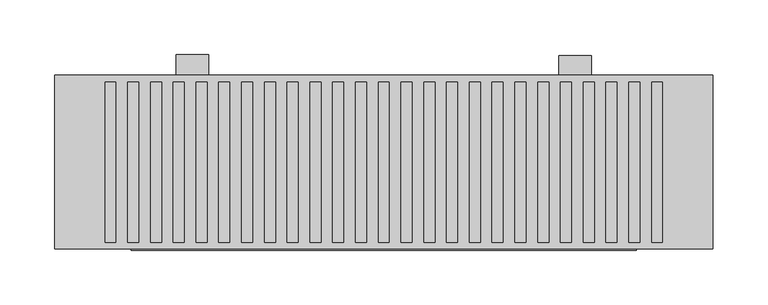
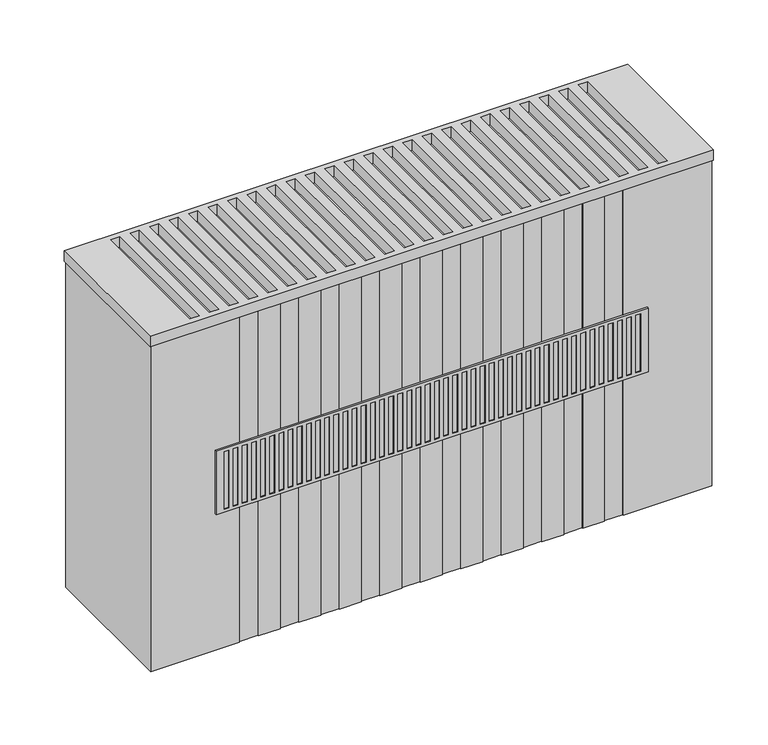
"""IFC4 building model written with IfcOpenShell, lengths in millimetres: proxy geometry."""

from ifc_helpers import new_model, si_unit, point, frame, frame_2d, origin, place, context, project, spatial, polyline, circle_curve, trimmed, segment, composite_curve, outline, extrude, faceted_brep, source, transform, mapped, element, save


def mechanical_equipment_fb03410e(model_context):
    return source(origin(), model_context, "Body", "SolidModel", [
        extrude(outline(polyline([(0.0, 380.0), (0.0, 100.0), (0.0, 80.0), (-51.0, 80.0), (-66.0, 100.0), (-20.0, 100.0), (-20.0, 380.0), (0.0, 380.0)])), frame((260.0, 0.0, 0.0), z_axis=(1.0, 0.0, 0.0), x_axis=(0.0, 1.0, 0.0)), (0.0, 0.0, 1.0), 30.0),
        extrude(outline(polyline([(1.0, 380.0), (1.0, 100.0), (1.0, 80.0), (-50.0, 80.0), (-65.0, 100.0), (-19.0, 100.0), (-19.0, 380.0), (1.0, 380.0)])), frame((-90.0, 0.0, 0.0), z_axis=(1.0, 0.0, 0.0), x_axis=(0.0, 1.0, 0.0)), (0.0, 0.0, 1.0), 30.0),
        faceted_brep([(331.0, -178.0, 326.0), (331.0, -178.0, 254.0), (331.0, -176.0, 254.0), (331.0, -176.0, 326.0), (-131.0, -178.0, 254.0), (-131.0, -178.0, 326.0), (-131.0, -176.0, 326.0), (-131.0, -176.0, 254.0), (322.5, -178.0, 257.5), (317.5, -178.0, 257.5), (317.5, -178.0, 322.5), (322.5, -178.0, 322.5), (-107.7222222, -178.0, 257.5), (-112.7222222, -178.0, 257.5), (-112.7222222, -178.0, 322.5), (-107.7222222, -178.0, 322.5), (-97.9444444, -178.0, 257.5), (-102.9444444, -178.0, 257.5), (-102.9444444, -178.0, 322.5), (-97.9444444, -178.0, 322.5), (-88.1666667, -178.0, 257.5), (-93.1666667, -178.0, 257.5), (-93.1666667, -178.0, 322.5), (-88.1666667, -178.0, 322.5), (-78.3888889, -178.0, 257.5), (-83.3888889, -178.0, 257.5), (-83.3888889, -178.0, 322.5), (-78.3888889, -178.0, 322.5), (-68.6111111, -178.0, 257.5), (-73.6111111, -178.0, 257.5), (-73.6111111, -178.0, 322.5), (-68.6111111, -178.0, 322.5), (-58.8333333, -178.0, 257.5), (-63.8333333, -178.0, 257.5), (-63.8333333, -178.0, 322.5), (-58.8333333, -178.0, 322.5), (-49.0555556, -178.0, 257.5), (-54.0555556, -178.0, 257.5), (-54.0555556, -178.0, 322.5), (-49.0555556, -178.0, 322.5), (-39.2777778, -178.0, 257.5), (-44.2777778, -178.0, 257.5), (-44.2777778, -178.0, 322.5), (-39.2777778, -178.0, 322.5), (-29.5, -178.0, 257.5), (-34.5, -178.0, 257.5), (-34.5, -178.0, 322.5), (-29.5, -178.0, 322.5), (-19.7222222, -178.0, 257.5), (-24.7222222, -178.0, 257.5), (-24.7222222, -178.0, 322.5), (-19.7222222, -178.0, 322.5), (-9.9444444, -178.0, 257.5), (-14.9444444, -178.0, 257.5), (-14.9444444, -178.0, 322.5), (-9.9444444, -178.0, 322.5), (-0.1666667, -178.0, 257.5), (-5.1666667, -178.0, 257.5), (-5.1666667, -178.0, 322.5), (-0.1666667, -178.0, 322.5), (9.6111111, -178.0, 257.5), (4.6111111, -178.0, 257.5), (4.6111111, -178.0, 322.5), (9.6111111, -178.0, 322.5), (19.3888889, -178.0, 257.5), (14.3888889, -178.0, 257.5), (14.3888889, -178.0, 322.5), (19.3888889, -178.0, 322.5), (29.1666667, -178.0, 257.5), (24.1666667, -178.0, 257.5), (24.1666667, -178.0, 322.5), (29.1666667, -178.0, 322.5), (38.9444444, -178.0, 257.5), (33.9444444, -178.0, 257.5), (33.9444444, -178.0, 322.5), (38.9444444, -178.0, 322.5), (48.7222222, -178.0, 257.5), (43.7222222, -178.0, 257.5), (43.7222222, -178.0, 322.5), (48.7222222, -178.0, 322.5), (58.5, -178.0, 257.5), (53.5, -178.0, 257.5), (53.5, -178.0, 322.5), (58.5, -178.0, 322.5), (68.2777778, -178.0, 257.5), (63.2777778, -178.0, 257.5), (63.2777778, -178.0, 322.5), (68.2777778, -178.0, 322.5), (78.0555556, -178.0, 257.5), (73.0555556, -178.0, 257.5), (73.0555556, -178.0, 322.5), (78.0555556, -178.0, 322.5), (87.8333333, -178.0, 257.5), (82.8333333, -178.0, 257.5), (82.8333333, -178.0, 322.5), (87.8333333, -178.0, 322.5), (97.6111111, -178.0, 257.5), (92.6111111, -178.0, 257.5), (92.6111111, -178.0, 322.5), (97.6111111, -178.0, 322.5), (107.3888889, -178.0, 257.5), (102.3888889, -178.0, 257.5), (102.3888889, -178.0, 322.5), (107.3888889, -178.0, 322.5), (117.1666667, -178.0, 257.5), (112.1666667, -178.0, 257.5), (112.1666667, -178.0, 322.5), (117.1666667, -178.0, 322.5), (126.9444444, -178.0, 257.5), (121.9444444, -178.0, 257.5), (121.9444444, -178.0, 322.5), (126.9444444, -178.0, 322.5), (136.7222222, -178.0, 257.5), (131.7222222, -178.0, 257.5), (131.7222222, -178.0, 322.5), (136.7222222, -178.0, 322.5), (146.5, -178.0, 257.5), (141.5, -178.0, 257.5), (141.5, -178.0, 322.5), (146.5, -178.0, 322.5), (156.2777778, -178.0, 257.5), (151.2777778, -178.0, 257.5), (151.2777778, -178.0, 322.5), (156.2777778, -178.0, 322.5), (166.0555556, -178.0, 257.5), (161.0555556, -178.0, 257.5), (161.0555556, -178.0, 322.5), (166.0555556, -178.0, 322.5), (175.8333333, -178.0, 257.5), (170.8333333, -178.0, 257.5), (170.8333333, -178.0, 322.5), (175.8333333, -178.0, 322.5), (185.6111111, -178.0, 257.5), (180.6111111, -178.0, 257.5), (180.6111111, -178.0, 322.5), (185.6111111, -178.0, 322.5), (195.3888889, -178.0, 257.5), (190.3888889, -178.0, 257.5), (190.3888889, -178.0, 322.5), (195.3888889, -178.0, 322.5), (205.1666667, -178.0, 257.5), (200.1666667, -178.0, 257.5), (200.1666667, -178.0, 322.5), (205.1666667, -178.0, 322.5), (214.9444444, -178.0, 257.5), (209.9444444, -178.0, 257.5), (209.9444444, -178.0, 322.5), (214.9444444, -178.0, 322.5), (224.7222222, -178.0, 257.5), (219.7222222, -178.0, 257.5), (219.7222222, -178.0, 322.5), (224.7222222, -178.0, 322.5), (234.5, -178.0, 257.5), (229.5, -178.0, 257.5), (229.5, -178.0, 322.5), (234.5, -178.0, 322.5), (244.2777778, -178.0, 257.5), (239.2777778, -178.0, 257.5), (239.2777778, -178.0, 322.5), (244.2777778, -178.0, 322.5), (254.0555556, -178.0, 257.5), (249.0555556, -178.0, 257.5), (249.0555556, -178.0, 322.5), (254.0555556, -178.0, 322.5), (263.8333333, -178.0, 257.5), (258.8333333, -178.0, 257.5), (258.8333333, -178.0, 322.5), (263.8333333, -178.0, 322.5), (273.6111111, -178.0, 257.5), (268.6111111, -178.0, 257.5), (268.6111111, -178.0, 322.5), (273.6111111, -178.0, 322.5), (283.3888889, -178.0, 257.5), (278.3888889, -178.0, 257.5), (278.3888889, -178.0, 322.5), (283.3888889, -178.0, 322.5), (293.1666667, -178.0, 257.5), (288.1666667, -178.0, 257.5), (288.1666667, -178.0, 322.5), (293.1666667, -178.0, 322.5), (302.9444444, -178.0, 257.5), (297.9444444, -178.0, 257.5), (297.9444444, -178.0, 322.5), (302.9444444, -178.0, 322.5), (312.7222222, -178.0, 257.5), (307.7222222, -178.0, 257.5), (307.7222222, -178.0, 322.5), (312.7222222, -178.0, 322.5), (-117.5, -178.0, 257.5), (-122.5, -178.0, 257.5), (-122.5, -178.0, 322.5), (-117.5, -178.0, 322.5), (317.5, -177.0, 257.5), (322.5, -177.0, 257.5), (322.5, -177.0, 322.5), (317.5, -177.0, 322.5), (-112.7222222, -177.0, 257.5), (-107.7222222, -177.0, 257.5), (-107.7222222, -177.0, 322.5), (-112.7222222, -177.0, 322.5), (-102.9444444, -177.0, 257.5), (-97.9444444, -177.0, 257.5), (-97.9444444, -177.0, 322.5), (-102.9444444, -177.0, 322.5), (-93.1666667, -177.0, 257.5), (-88.1666667, -177.0, 257.5), (-88.1666667, -177.0, 322.5), (-93.1666667, -177.0, 322.5), (-83.3888889, -177.0, 257.5), (-78.3888889, -177.0, 257.5), (-78.3888889, -177.0, 322.5), (-83.3888889, -177.0, 322.5), (-73.6111111, -177.0, 257.5), (-68.6111111, -177.0, 257.5), (-68.6111111, -177.0, 322.5), (-73.6111111, -177.0, 322.5), (-63.8333333, -177.0, 257.5), (-58.8333333, -177.0, 257.5), (-58.8333333, -177.0, 322.5), (-63.8333333, -177.0, 322.5), (-54.0555556, -177.0, 257.5), (-49.0555556, -177.0, 257.5), (-49.0555556, -177.0, 322.5), (-54.0555556, -177.0, 322.5), (-44.2777778, -177.0, 257.5), (-39.2777778, -177.0, 257.5), (-39.2777778, -177.0, 322.5), (-44.2777778, -177.0, 322.5), (-34.5, -177.0, 257.5), (-29.5, -177.0, 257.5), (-29.5, -177.0, 322.5), (-34.5, -177.0, 322.5), (-24.7222222, -177.0, 257.5), (-19.7222222, -177.0, 257.5), (-19.7222222, -177.0, 322.5), (-24.7222222, -177.0, 322.5), (-14.9444444, -177.0, 257.5), (-9.9444444, -177.0, 257.5), (-9.9444444, -177.0, 322.5), (-14.9444444, -177.0, 322.5), (-5.1666667, -177.0, 257.5), (-0.1666667, -177.0, 257.5), (-0.1666667, -177.0, 322.5), (-5.1666667, -177.0, 322.5), (4.6111111, -177.0, 257.5), (9.6111111, -177.0, 257.5), (9.6111111, -177.0, 322.5), (4.6111111, -177.0, 322.5), (14.3888889, -177.0, 257.5), (19.3888889, -177.0, 257.5), (19.3888889, -177.0, 322.5), (14.3888889, -177.0, 322.5), (24.1666667, -177.0, 257.5), (29.1666667, -177.0, 257.5), (29.1666667, -177.0, 322.5), (24.1666667, -177.0, 322.5), (33.9444444, -177.0, 257.5), (38.9444444, -177.0, 257.5), (38.9444444, -177.0, 322.5), (33.9444444, -177.0, 322.5), (43.7222222, -177.0, 257.5), (48.7222222, -177.0, 257.5), (48.7222222, -177.0, 322.5), (43.7222222, -177.0, 322.5), (53.5, -177.0, 257.5), (58.5, -177.0, 257.5), (58.5, -177.0, 322.5), (53.5, -177.0, 322.5), (63.2777778, -177.0, 257.5), (68.2777778, -177.0, 257.5), (68.2777778, -177.0, 322.5), (63.2777778, -177.0, 322.5), (73.0555556, -177.0, 257.5), (78.0555556, -177.0, 257.5), (78.0555556, -177.0, 322.5), (73.0555556, -177.0, 322.5), (82.8333333, -177.0, 257.5), (87.8333333, -177.0, 257.5), (87.8333333, -177.0, 322.5), (82.8333333, -177.0, 322.5), (92.6111111, -177.0, 257.5), (97.6111111, -177.0, 257.5), (97.6111111, -177.0, 322.5), (92.6111111, -177.0, 322.5), (102.3888889, -177.0, 257.5), (107.3888889, -177.0, 257.5), (107.3888889, -177.0, 322.5), (102.3888889, -177.0, 322.5), (112.1666667, -177.0, 257.5), (117.1666667, -177.0, 257.5), (117.1666667, -177.0, 322.5), (112.1666667, -177.0, 322.5), (121.9444444, -177.0, 257.5), (126.9444444, -177.0, 257.5), (126.9444444, -177.0, 322.5), (121.9444444, -177.0, 322.5), (131.7222222, -177.0, 257.5), (136.7222222, -177.0, 257.5), (136.7222222, -177.0, 322.5), (131.7222222, -177.0, 322.5), (141.5, -177.0, 257.5), (146.5, -177.0, 257.5), (146.5, -177.0, 322.5), (141.5, -177.0, 322.5), (151.2777778, -177.0, 257.5), (156.2777778, -177.0, 257.5), (156.2777778, -177.0, 322.5), (151.2777778, -177.0, 322.5), (161.0555556, -177.0, 257.5), (166.0555556, -177.0, 257.5), (166.0555556, -177.0, 322.5), (161.0555556, -177.0, 322.5), (170.8333333, -177.0, 257.5), (175.8333333, -177.0, 257.5), (175.8333333, -177.0, 322.5), (170.8333333, -177.0, 322.5), (180.6111111, -177.0, 257.5), (185.6111111, -177.0, 257.5), (185.6111111, -177.0, 322.5), (180.6111111, -177.0, 322.5), (190.3888889, -177.0, 257.5), (195.3888889, -177.0, 257.5), (195.3888889, -177.0, 322.5), (190.3888889, -177.0, 322.5), (200.1666667, -177.0, 257.5), (205.1666667, -177.0, 257.5), (205.1666667, -177.0, 322.5), (200.1666667, -177.0, 322.5), (209.9444444, -177.0, 257.5), (214.9444444, -177.0, 257.5), (214.9444444, -177.0, 322.5), (209.9444444, -177.0, 322.5), (219.7222222, -177.0, 257.5), (224.7222222, -177.0, 257.5), (224.7222222, -177.0, 322.5), (219.7222222, -177.0, 322.5), (229.5, -177.0, 257.5), (234.5, -177.0, 257.5), (234.5, -177.0, 322.5), (229.5, -177.0, 322.5), (239.2777778, -177.0, 257.5), (244.2777778, -177.0, 257.5), (244.2777778, -177.0, 322.5), (239.2777778, -177.0, 322.5), (249.0555556, -177.0, 257.5), (254.0555556, -177.0, 257.5), (254.0555556, -177.0, 322.5), (249.0555556, -177.0, 322.5), (258.8333333, -177.0, 257.5), (263.8333333, -177.0, 257.5), (263.8333333, -177.0, 322.5), (258.8333333, -177.0, 322.5), (268.6111111, -177.0, 257.5), (273.6111111, -177.0, 257.5), (273.6111111, -177.0, 322.5), (268.6111111, -177.0, 322.5), (278.3888889, -177.0, 257.5), (283.3888889, -177.0, 257.5), (283.3888889, -177.0, 322.5), (278.3888889, -177.0, 322.5), (288.1666667, -177.0, 257.5), (293.1666667, -177.0, 257.5), (293.1666667, -177.0, 322.5), (288.1666667, -177.0, 322.5), (297.9444444, -177.0, 257.5), (302.9444444, -177.0, 257.5), (302.9444444, -177.0, 322.5), (297.9444444, -177.0, 322.5), (307.7222222, -177.0, 257.5), (312.7222222, -177.0, 257.5), (312.7222222, -177.0, 322.5), (307.7222222, -177.0, 322.5), (-122.5, -177.0, 257.5), (-117.5, -177.0, 257.5), (-117.5, -177.0, 322.5), (-122.5, -177.0, 322.5)], [[[0, 1, 2, 3]], [[4, 5, 6, 7]], [[1, 0, 5, 4], [8, 9, 10, 11], [12, 13, 14, 15], [16, 17, 18, 19], [20, 21, 22, 23], [24, 25, 26, 27], [28, 29, 30, 31], [32, 33, 34, 35], [36, 37, 38, 39], [40, 41, 42, 43], [44, 45, 46, 47], [48, 49, 50, 51], [52, 53, 54, 55], [56, 57, 58, 59], [60, 61, 62, 63], [64, 65, 66, 67], [68, 69, 70, 71], [72, 73, 74, 75], [76, 77, 78, 79], [80, 81, 82, 83], [84, 85, 86, 87], [88, 89, 90, 91], [92, 93, 94, 95], [96, 97, 98, 99], [100, 101, 102, 103], [104, 105, 106, 107], [108, 109, 110, 111], [112, 113, 114, 115], [116, 117, 118, 119], [120, 121, 122, 123], [124, 125, 126, 127], [128, 129, 130, 131], [132, 133, 134, 135], [136, 137, 138, 139], [140, 141, 142, 143], [144, 145, 146, 147], [148, 149, 150, 151], [152, 153, 154, 155], [156, 157, 158, 159], [160, 161, 162, 163], [164, 165, 166, 167], [168, 169, 170, 171], [172, 173, 174, 175], [176, 177, 178, 179], [180, 181, 182, 183], [184, 185, 186, 187], [188, 189, 190, 191]], [[3, 2, 7, 6]], [[2, 1, 4, 7]], [[0, 3, 6, 5]], [[192, 193, 194, 195]], [[193, 192, 9, 8]], [[194, 193, 8, 11]], [[195, 194, 11, 10]], [[192, 195, 10, 9]], [[196, 197, 198, 199]], [[197, 196, 13, 12]], [[198, 197, 12, 15]], [[199, 198, 15, 14]], [[196, 199, 14, 13]], [[200, 201, 202, 203]], [[201, 200, 17, 16]], [[202, 201, 16, 19]], [[203, 202, 19, 18]], [[200, 203, 18, 17]], [[204, 205, 206, 207]], [[205, 204, 21, 20]], [[206, 205, 20, 23]], [[207, 206, 23, 22]], [[204, 207, 22, 21]], [[208, 209, 210, 211]], [[209, 208, 25, 24]], [[210, 209, 24, 27]], [[211, 210, 27, 26]], [[208, 211, 26, 25]], [[212, 213, 214, 215]], [[213, 212, 29, 28]], [[214, 213, 28, 31]], [[215, 214, 31, 30]], [[212, 215, 30, 29]], [[216, 217, 218, 219]], [[217, 216, 33, 32]], [[218, 217, 32, 35]], [[219, 218, 35, 34]], [[216, 219, 34, 33]], [[220, 221, 222, 223]], [[221, 220, 37, 36]], [[222, 221, 36, 39]], [[223, 222, 39, 38]], [[220, 223, 38, 37]], [[224, 225, 226, 227]], [[225, 224, 41, 40]], [[226, 225, 40, 43]], [[227, 226, 43, 42]], [[224, 227, 42, 41]], [[228, 229, 230, 231]], [[229, 228, 45, 44]], [[230, 229, 44, 47]], [[231, 230, 47, 46]], [[228, 231, 46, 45]], [[232, 233, 234, 235]], [[233, 232, 49, 48]], [[234, 233, 48, 51]], [[235, 234, 51, 50]], [[232, 235, 50, 49]], [[236, 237, 238, 239]], [[237, 236, 53, 52]], [[238, 237, 52, 55]], [[239, 238, 55, 54]], [[236, 239, 54, 53]], [[240, 241, 242, 243]], [[241, 240, 57, 56]], [[242, 241, 56, 59]], [[243, 242, 59, 58]], [[240, 243, 58, 57]], [[244, 245, 246, 247]], [[245, 244, 61, 60]], [[246, 245, 60, 63]], [[247, 246, 63, 62]], [[244, 247, 62, 61]], [[248, 249, 250, 251]], [[249, 248, 65, 64]], [[250, 249, 64, 67]], [[251, 250, 67, 66]], [[248, 251, 66, 65]], [[252, 253, 254, 255]], [[253, 252, 69, 68]], [[254, 253, 68, 71]], [[255, 254, 71, 70]], [[252, 255, 70, 69]], [[256, 257, 258, 259]], [[257, 256, 73, 72]], [[258, 257, 72, 75]], [[259, 258, 75, 74]], [[256, 259, 74, 73]], [[260, 261, 262, 263]], [[261, 260, 77, 76]], [[262, 261, 76, 79]], [[263, 262, 79, 78]], [[260, 263, 78, 77]], [[264, 265, 266, 267]], [[265, 264, 81, 80]], [[266, 265, 80, 83]], [[267, 266, 83, 82]], [[264, 267, 82, 81]], [[268, 269, 270, 271]], [[269, 268, 85, 84]], [[270, 269, 84, 87]], [[271, 270, 87, 86]], [[268, 271, 86, 85]], [[272, 273, 274, 275]], [[273, 272, 89, 88]], [[274, 273, 88, 91]], [[275, 274, 91, 90]], [[272, 275, 90, 89]], [[276, 277, 278, 279]], [[277, 276, 93, 92]], [[278, 277, 92, 95]], [[279, 278, 95, 94]], [[276, 279, 94, 93]], [[280, 281, 282, 283]], [[281, 280, 97, 96]], [[282, 281, 96, 99]], [[283, 282, 99, 98]], [[280, 283, 98, 97]], [[284, 285, 286, 287]], [[285, 284, 101, 100]], [[286, 285, 100, 103]], [[287, 286, 103, 102]], [[284, 287, 102, 101]], [[288, 289, 290, 291]], [[289, 288, 105, 104]], [[290, 289, 104, 107]], [[291, 290, 107, 106]], [[288, 291, 106, 105]], [[292, 293, 294, 295]], [[293, 292, 109, 108]], [[294, 293, 108, 111]], [[295, 294, 111, 110]], [[292, 295, 110, 109]], [[296, 297, 298, 299]], [[297, 296, 113, 112]], [[298, 297, 112, 115]], [[299, 298, 115, 114]], [[296, 299, 114, 113]], [[300, 301, 302, 303]], [[301, 300, 117, 116]], [[302, 301, 116, 119]], [[303, 302, 119, 118]], [[300, 303, 118, 117]], [[304, 305, 306, 307]], [[305, 304, 121, 120]], [[306, 305, 120, 123]], [[307, 306, 123, 122]], [[304, 307, 122, 121]], [[308, 309, 310, 311]], [[309, 308, 125, 124]], [[310, 309, 124, 127]], [[311, 310, 127, 126]], [[308, 311, 126, 125]], [[312, 313, 314, 315]], [[313, 312, 129, 128]], [[314, 313, 128, 131]], [[315, 314, 131, 130]], [[312, 315, 130, 129]], [[316, 317, 318, 319]], [[317, 316, 133, 132]], [[318, 317, 132, 135]], [[319, 318, 135, 134]], [[316, 319, 134, 133]], [[320, 321, 322, 323]], [[321, 320, 137, 136]], [[322, 321, 136, 139]], [[323, 322, 139, 138]], [[320, 323, 138, 137]], [[324, 325, 326, 327]], [[325, 324, 141, 140]], [[326, 325, 140, 143]], [[327, 326, 143, 142]], [[324, 327, 142, 141]], [[328, 329, 330, 331]], [[329, 328, 145, 144]], [[330, 329, 144, 147]], [[331, 330, 147, 146]], [[328, 331, 146, 145]], [[332, 333, 334, 335]], [[333, 332, 149, 148]], [[334, 333, 148, 151]], [[335, 334, 151, 150]], [[332, 335, 150, 149]], [[336, 337, 338, 339]], [[337, 336, 153, 152]], [[338, 337, 152, 155]], [[339, 338, 155, 154]], [[336, 339, 154, 153]], [[340, 341, 342, 343]], [[341, 340, 157, 156]], [[342, 341, 156, 159]], [[343, 342, 159, 158]], [[340, 343, 158, 157]], [[344, 345, 346, 347]], [[345, 344, 161, 160]], [[346, 345, 160, 163]], [[347, 346, 163, 162]], [[344, 347, 162, 161]], [[348, 349, 350, 351]], [[349, 348, 165, 164]], [[350, 349, 164, 167]], [[351, 350, 167, 166]], [[348, 351, 166, 165]], [[352, 353, 354, 355]], [[353, 352, 169, 168]], [[354, 353, 168, 171]], [[355, 354, 171, 170]], [[352, 355, 170, 169]], [[356, 357, 358, 359]], [[357, 356, 173, 172]], [[358, 357, 172, 175]], [[359, 358, 175, 174]], [[356, 359, 174, 173]], [[360, 361, 362, 363]], [[361, 360, 177, 176]], [[362, 361, 176, 179]], [[363, 362, 179, 178]], [[360, 363, 178, 177]], [[364, 365, 366, 367]], [[365, 364, 181, 180]], [[366, 365, 180, 183]], [[367, 366, 183, 182]], [[364, 367, 182, 181]], [[368, 369, 370, 371]], [[369, 368, 185, 184]], [[370, 369, 184, 187]], [[371, 370, 187, 186]], [[368, 371, 186, 185]], [[372, 373, 374, 375]], [[373, 372, 189, 188]], [[374, 373, 188, 191]], [[375, 374, 191, 190]], [[372, 375, 190, 189]]]),
        extrude(outline(polyline([(401.0, -18.0), (401.0, -177.0), (-201.0, -177.0), (-201.0, -18.0), (401.0, -18.0)]), holes=[polyline([(345.0, -171.0), (355.0, -171.0), (355.0, -24.0), (345.0, -24.0), (345.0, -171.0)]), polyline([(-134.1666667, -171.0), (-124.1666667, -171.0), (-124.1666667, -24.0), (-134.1666667, -24.0), (-134.1666667, -171.0)]), polyline([(-113.3333333, -171.0), (-103.3333333, -171.0), (-103.3333333, -24.0), (-113.3333333, -24.0), (-113.3333333, -171.0)]), polyline([(-92.5, -171.0), (-82.5, -171.0), (-82.5, -24.0), (-92.5, -24.0), (-92.5, -171.0)]), polyline([(-71.6666667, -171.0), (-61.6666667, -171.0), (-61.6666667, -24.0), (-71.6666667, -24.0), (-71.6666667, -171.0)]), polyline([(-50.8333333, -171.0), (-40.8333333, -171.0), (-40.8333333, -24.0), (-50.8333333, -24.0), (-50.8333333, -171.0)]), polyline([(-30.0, -171.0), (-20.0, -171.0), (-20.0, -24.0), (-30.0, -24.0), (-30.0, -171.0)]), polyline([(-9.1666667, -171.0), (0.8333333, -171.0), (0.8333333, -24.0), (-9.1666667, -24.0), (-9.1666667, -171.0)]), polyline([(11.6666667, -171.0), (21.6666667, -171.0), (21.6666667, -24.0), (11.6666667, -24.0), (11.6666667, -171.0)]), polyline([(32.5, -171.0), (42.5, -171.0), (42.5, -24.0), (32.5, -24.0), (32.5, -171.0)]), polyline([(53.3333333, -171.0), (63.3333333, -171.0), (63.3333333, -24.0), (53.3333333, -24.0), (53.3333333, -171.0)]), polyline([(74.1666667, -171.0), (84.1666667, -171.0), (84.1666667, -24.0), (74.1666667, -24.0), (74.1666667, -171.0)]), polyline([(95.0, -171.0), (105.0, -171.0), (105.0, -24.0), (95.0, -24.0), (95.0, -171.0)]), polyline([(115.8333333, -171.0), (125.8333333, -171.0), (125.8333333, -24.0), (115.8333333, -24.0), (115.8333333, -171.0)]), polyline([(136.6666667, -171.0), (146.6666667, -171.0), (146.6666667, -24.0), (136.6666667, -24.0), (136.6666667, -171.0)]), polyline([(157.5, -171.0), (167.5, -171.0), (167.5, -24.0), (157.5, -24.0), (157.5, -171.0)]), polyline([(178.3333333, -171.0), (188.3333333, -171.0), (188.3333333, -24.0), (178.3333333, -24.0), (178.3333333, -171.0)]), polyline([(199.1666667, -171.0), (209.1666667, -171.0), (209.1666667, -24.0), (199.1666667, -24.0), (199.1666667, -171.0)]), polyline([(220.0, -171.0), (230.0, -171.0), (230.0, -24.0), (220.0, -24.0), (220.0, -171.0)]), polyline([(240.8333333, -171.0), (250.8333333, -171.0), (250.8333333, -24.0), (240.8333333, -24.0), (240.8333333, -171.0)]), polyline([(261.6666667, -171.0), (271.6666667, -171.0), (271.6666667, -24.0), (261.6666667, -24.0), (261.6666667, -171.0)]), polyline([(282.5, -171.0), (292.5, -171.0), (292.5, -24.0), (282.5, -24.0), (282.5, -171.0)]), polyline([(303.3333333, -171.0), (313.3333333, -171.0), (313.3333333, -24.0), (303.3333333, -24.0), (303.3333333, -171.0)]), polyline([(324.1666667, -171.0), (334.1666667, -171.0), (334.1666667, -24.0), (324.1666667, -24.0), (324.1666667, -171.0)]), polyline([(-155.0, -171.0), (-145.0, -171.0), (-145.0, -24.0), (-155.0, -24.0), (-155.0, -171.0)])]), frame((0.0, 0.0, 468.0), z_axis=(0.0, 0.0, 1.0), x_axis=(1.0, 0.0, 0.0)), (0.0, 0.0, 1.0), 12.0),
        extrude(outline(composite_curve([segment(trimmed(circle_curve(frame_2d((386.0, -57.0)), 7.5), [point((393.5, -57.0))], [point((378.5, -57.0))], False, "CARTESIAN"), True, "CONTINUOUS"), segment(trimmed(circle_curve(frame_2d((386.0, -57.0)), 7.5), [point((378.5, -57.0))], [point((393.5, -57.0))], False, "CARTESIAN"), True, "CONTINUOUS")], self_intersect=False)), frame((0.0, 0.0, 82.0), z_axis=(0.0, 0.0, 1.0), x_axis=(1.0, 0.0, 0.0)), (0.0, 0.0, 1.0), 20.0),
        extrude(outline(composite_curve([segment(trimmed(circle_curve(frame_2d((336.0, -57.0)), 7.5), [point((343.5, -57.0))], [point((328.5, -57.0))], False, "CARTESIAN"), True, "CONTINUOUS"), segment(trimmed(circle_curve(frame_2d((336.0, -57.0)), 7.5), [point((328.5, -57.0))], [point((343.5, -57.0))], False, "CARTESIAN"), True, "CONTINUOUS")], self_intersect=False)), frame((0.0, 0.0, 82.0), z_axis=(0.0, 0.0, 1.0), x_axis=(1.0, 0.0, 0.0)), (0.0, 0.0, 1.0), 20.0),
        extrude(outline(polyline([(400.0, -19.0), (400.0, -176.0), (305.0, -176.0), (305.0, -175.0), (285.0, -175.0), (285.0, -176.0), (261.6666667, -176.0), (261.6666667, -175.0), (241.6666667, -175.0), (241.6666667, -176.0), (218.3333333, -176.0), (218.3333333, -175.0), (198.3333333, -175.0), (198.3333333, -176.0), (175.0, -176.0), (175.0, -175.0), (155.0, -175.0), (155.0, -176.0), (131.6666667, -176.0), (131.6666667, -175.0), (111.6666667, -175.0), (111.6666667, -176.0), (88.3333333, -176.0), (88.3333333, -175.0), (68.3333333, -175.0), (68.3333333, -176.0), (45.0, -176.0), (45.0, -175.0), (25.0, -175.0), (25.0, -176.0), (1.6666667, -176.0), (1.6666667, -175.0), (-18.3333333, -175.0), (-18.3333333, -176.0), (-41.6666667, -176.0), (-41.6666667, -175.0), (-61.6666667, -175.0), (-61.6666667, -176.0), (-85.0, -176.0), (-85.0, -175.0), (-105.0, -175.0), (-105.0, -176.0), (-200.0, -176.0), (-200.0, -19.0), (400.0, -19.0)])), frame((0.0, 0.0, 100.0), z_axis=(0.0, 0.0, 1.0), x_axis=(1.0, 0.0, 0.0)), (0.0, 0.0, 1.0), 368.0),
    ])


if __name__ == "__main__":
    model = new_model("IFC4")
    model_context = context("Model", 3, world=origin())
    ifc_project = project(units=[si_unit("LENGTHUNIT", "METRE", prefix="MILLI")], contexts=[model_context])
    site = spatial("IfcSite", under=ifc_project)
    building = spatial("IfcBuilding", under=site)
    placement = place(None, origin())
    mechanical_equipment_shape = mechanical_equipment_fb03410e(model_context)
    element("IfcBuildingElementProxy", 1, Name="Mechanical Equipment", at=placement, inside=building, context=model_context, shape_type="MappedRepresentation", body=[
        mapped(mechanical_equipment_shape, transform((0.0, 0.0, 0.0), x_axis=(1.0, 0.0, 0.0), y_axis=(0.0, 1.0, 0.0), z_axis=(0.0, 0.0, 1.0))),
    ])
    save(model, "model.ifc")
